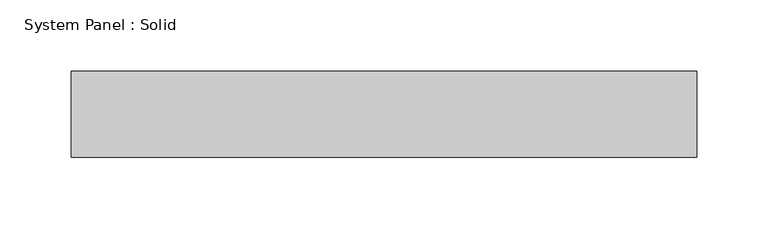
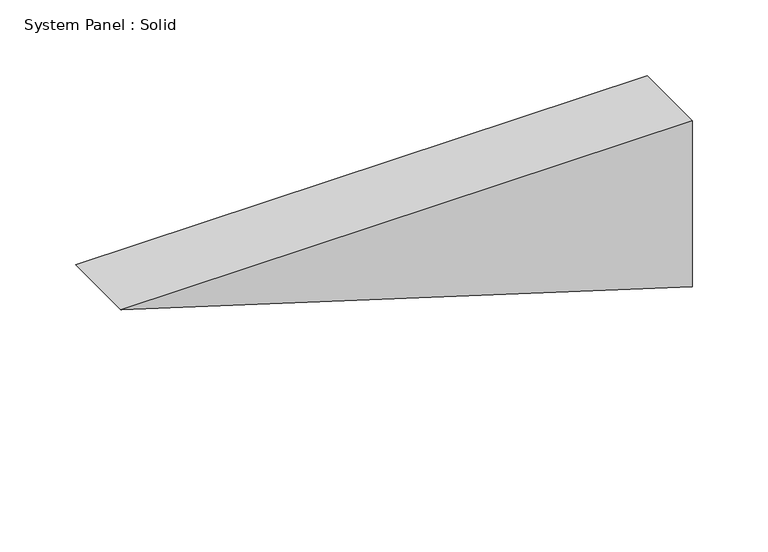
"""IFC4 building model written with IfcOpenShell, lengths in millimetres: plate geometry, System Panel : Solid."""

from ifc_helpers import new_model, si_unit, frame, origin, place, context, project, spatial, polyline, outline, extrude, source, transform, mapped, element, save


def system_panel_solid_2dca0c5e(model_context):
    return source(origin(), model_context, "Body", "SweptSolid", [
        extrude(outline(polyline([(134.5517276, -218.5547532), (0.0, 218.5547532), (134.5517276, 218.5547532), (134.5517276, -218.5547532)])), frame((0.0, -10.5, 0.0), z_axis=(0.0, 1.0, 0.0), x_axis=(0.0, 0.0, 1.0)), (0.0, 0.0, 1.0), 60.0),
    ])


if __name__ == "__main__":
    model = new_model("IFC4")
    model_context = context("Model", 3, world=origin())
    ifc_project = project(units=[si_unit("LENGTHUNIT", "METRE", prefix="MILLI")], contexts=[model_context])
    site = spatial("IfcSite", under=ifc_project)
    building = spatial("IfcBuilding", under=site)
    placement = place(None, origin())
    system_panel_solid_shape = system_panel_solid_2dca0c5e(model_context)
    element("IfcPlate", 1, ObjectType="System Panel : Solid", at=placement, inside=building, context=model_context, shape_type="MappedRepresentation", body=[
        mapped(system_panel_solid_shape, transform((0.0, 0.0, 0.0), x_axis=(1.0, 0.0, 0.0), y_axis=(0.0, 1.0, 0.0), z_axis=(0.0, 0.0, 1.0))),
    ])
    save(model, "model.ifc")
